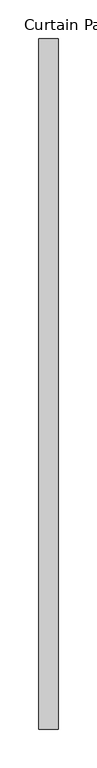
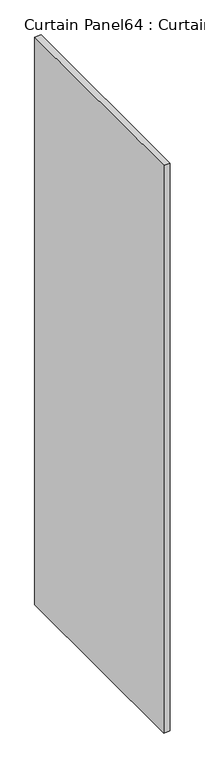
"""IFC4 building model written with IfcOpenShell, lengths in millimetres: plate geometry, Curtain Panel64 : Curtain Panel."""

from ifc_helpers import new_model, si_unit, frame, origin, place, context, project, spatial, polyline, outline, extrude, source, transform, mapped, element, save


def curtain_panel64_curtain_panel_ea75bc38(model_context):
    return source(origin(), model_context, "Body", "SweptSolid", [
        extrude(outline(polyline([(-38237.456025, -1954.9631042), (-38237.456025, -2850.3128778), (-38262.856025, -2850.3128778), (-38262.856025, -1954.9631042), (-38237.456025, -1954.9631042)])), frame((0.0, 0.0, 57.15), z_axis=(0.0, 0.0, 1.0), x_axis=(1.0, 0.0, 0.0)), (0.0, 0.0, 1.0), 2403.4907618),
    ])


if __name__ == "__main__":
    model = new_model("IFC4")
    model_context = context("Model", 3, world=origin())
    ifc_project = project(units=[si_unit("LENGTHUNIT", "METRE", prefix="MILLI")], contexts=[model_context])
    site = spatial("IfcSite", under=ifc_project)
    building = spatial("IfcBuilding", under=site)
    placement = place(None, origin())
    curtain_panel64_curtain_panel_shape = curtain_panel64_curtain_panel_ea75bc38(model_context)
    element("IfcPlate", 1, ObjectType="Curtain Panel64 : Curtain Panel", at=placement, inside=building, context=model_context, shape_type="MappedRepresentation", body=[
        mapped(curtain_panel64_curtain_panel_shape, transform((0.0, 0.0, 0.0), x_axis=(1.0, 0.0, 0.0), y_axis=(0.0, 1.0, 0.0), z_axis=(0.0, 0.0, 1.0))),
    ])
    save(model, "model.ifc")
